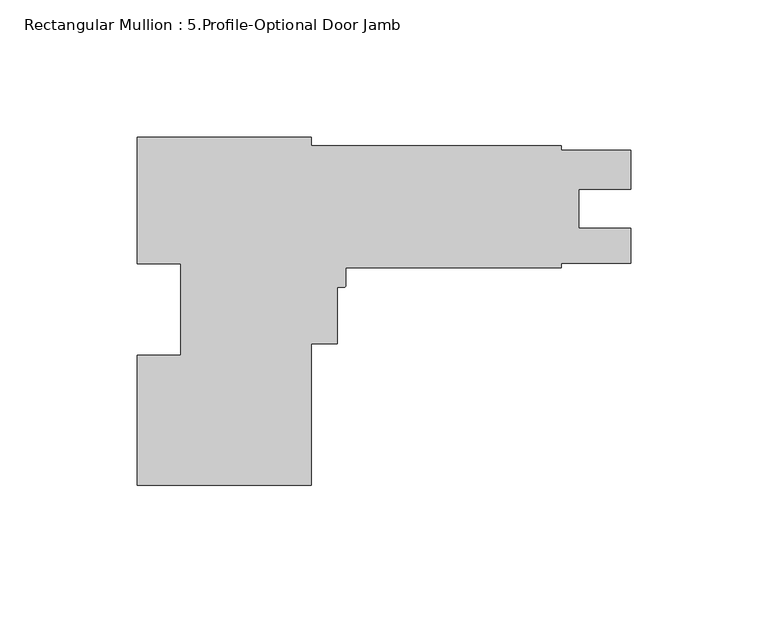
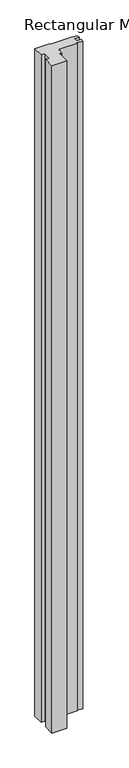
"""IFC4 building model written with IfcOpenShell, lengths in millimetres: member geometry, Rectangular Mullion : 5.Profile-Optional Door Jamb."""

from ifc_helpers import new_model, si_unit, point, frame, frame_2d, origin, place, context, project, spatial, polyline, circle_curve, trimmed, segment, composite_curve, outline, extrude, source, transform, mapped, element, save


def rectangular_mullion_5_profile_optional_door_jamb_0f084ad6(model_context):
    return source(origin(), model_context, "Body", "SweptSolid", [
        extrude(outline(composite_curve([segment(polyline([(-180.18125, -63.4111), (-180.18125, -15.9570314), (-164.30625, -15.9570314), (-164.30625, 17.40599), (-180.18125, 17.40599), (-180.18125, 63.5889), (-116.68125, 63.5889), (-116.68125, 60.4139), (-25.4, 60.4139), (-25.4, 58.8263837), (0.0, 58.8263837), (0.0, 44.5643), (-19.0372991, 44.5643), (-19.0372991, 30.2768), (0.0, 30.2768), (0.0, 17.5641), (-25.4, 17.5641), (-25.4, 15.9639), (-103.98125, 15.9639), (-103.98125, 9.5885)]), True, "CONTINUOUS"), segment(trimmed(circle_curve(frame_2d((-104.76865, 9.5885)), 0.7874), [point((-103.98125, 9.5885))], [point((-104.76865, 8.8011))], False, "CARTESIAN"), True, "CONTINUOUS"), segment(polyline([(-104.76865, 8.8011), (-107.15625, 8.8011), (-107.15625, -11.8237), (-116.68125, -11.8237), (-116.68125, -63.4111), (-180.18125, -63.4111)]), True, "CONTINUOUS")], self_intersect=False)), frame((0.0, 0.0, -3048.0), z_axis=(0.0, 0.0, 1.0), x_axis=(1.0, 0.0, 0.0)), (0.0, 0.0, 1.0), 3048.0),
    ])


if __name__ == "__main__":
    model = new_model("IFC4")
    model_context = context("Model", 3, world=origin())
    ifc_project = project(units=[si_unit("LENGTHUNIT", "METRE", prefix="MILLI")], contexts=[model_context])
    site = spatial("IfcSite", under=ifc_project)
    building = spatial("IfcBuilding", under=site)
    placement = place(None, origin())
    rectangular_mullion_5_profile_optional_door_jamb_shape = rectangular_mullion_5_profile_optional_door_jamb_0f084ad6(model_context)
    element("IfcMember", 1, ObjectType="Rectangular Mullion : 5.Profile-Optional Door Jamb", at=placement, inside=building, context=model_context, shape_type="MappedRepresentation", body=[
        mapped(rectangular_mullion_5_profile_optional_door_jamb_shape, transform((0.0, 0.0, 0.0), x_axis=(1.0, 0.0, 0.0), y_axis=(0.0, 1.0, 0.0), z_axis=(0.0, 0.0, 1.0))),
    ])
    save(model, "model.ifc")
